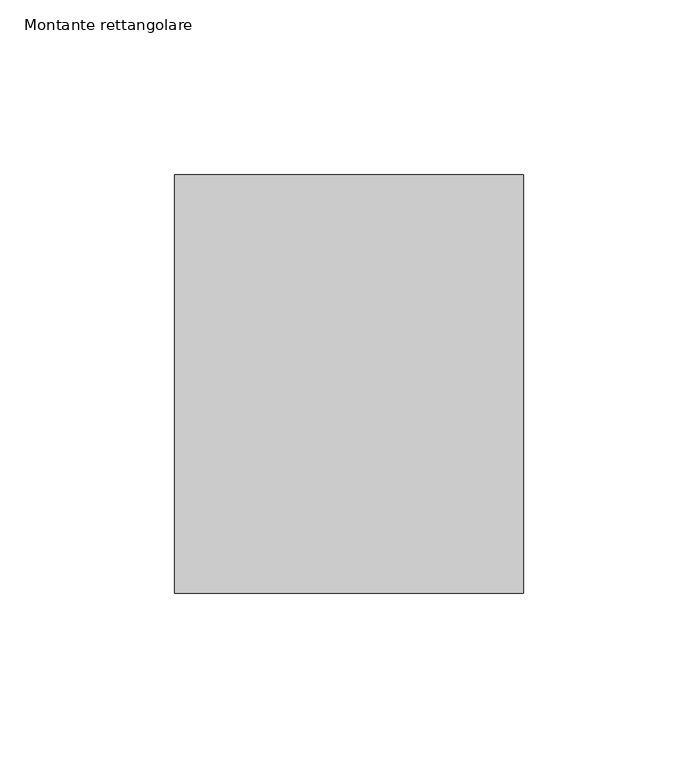
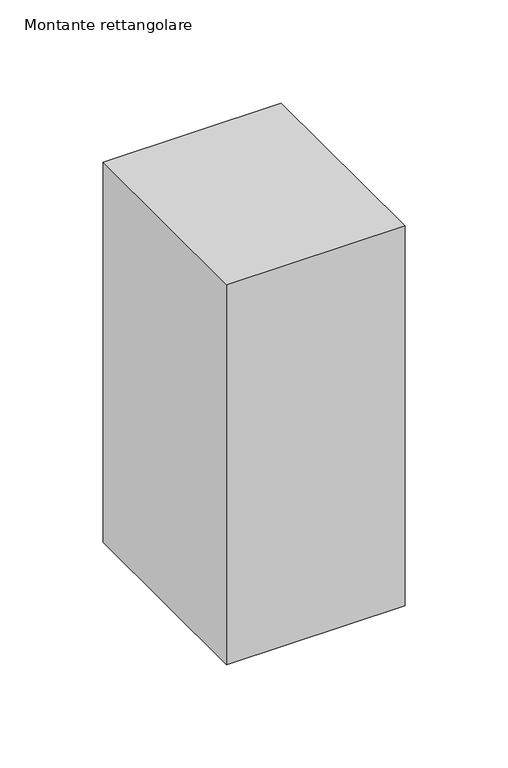
"""IFC4 building model written with IfcOpenShell, lengths in millimetres: member geometry, Montante rettangolare."""

from ifc_helpers import new_model, si_unit, frame, origin, place, context, project, spatial, polyline, outline, extrude, source, transform, mapped, element, save


def montante_rettangolare_7535d59f(model_context):
    return source(origin(), model_context, "Body", "SweptSolid", [
        extrude(outline(polyline([(0.0, 60.0), (0.0, -60.0), (-100.0, -60.0), (-100.0, 60.0), (0.0, 60.0)])), frame((0.0, 0.0, -225.2421366), z_axis=(0.0, 0.0, 1.0), x_axis=(1.0, 0.0, 0.0)), (0.0, 0.0, 1.0), 225.2421366),
    ])


if __name__ == "__main__":
    model = new_model("IFC4")
    model_context = context("Model", 3, world=origin())
    ifc_project = project(units=[si_unit("LENGTHUNIT", "METRE", prefix="MILLI")], contexts=[model_context])
    site = spatial("IfcSite", under=ifc_project)
    building = spatial("IfcBuilding", under=site)
    placement = place(None, origin())
    montante_rettangolare_shape = montante_rettangolare_7535d59f(model_context)
    element("IfcMember", 1, ObjectType="Montante rettangolare", at=placement, inside=building, context=model_context, shape_type="MappedRepresentation", body=[
        mapped(montante_rettangolare_shape, transform((0.0, 0.0, 0.0), x_axis=(1.0, 0.0, 0.0), y_axis=(0.0, 1.0, 0.0), z_axis=(0.0, 0.0, 1.0))),
    ])
    save(model, "model.ifc")
